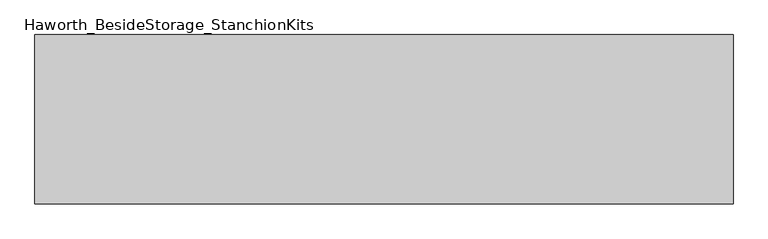
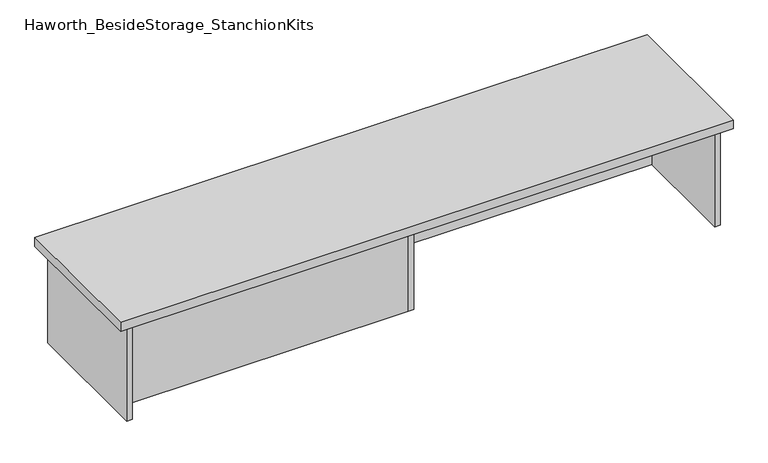
"""IFC4 building model written with IfcOpenShell, lengths in millimetres: furniture geometry, Haworth_BesideStorage_StanchionKits."""

from ifc_helpers import new_model, si_unit, frame, origin, place, context, project, spatial, polyline, outline, extrude, source, transform, mapped, element, save


def haworth_besidestorage_stanchionkits_dd0a1ca3(model_context):
    return source(origin(), model_context, "Body", "SweptSolid", [
        extrude(outline(polyline([(1000.125, 0.0), (1000.125, -406.4), (-676.275, -406.4), (-676.275, 0.0), (1000.125, 0.0)])), frame((0.0, 0.0, 711.2), z_axis=(0.0, 0.0, 1.0), x_axis=(1.0, 0.0, 0.0)), (0.0, 0.0, 1.0), 25.4),
        extrude(outline(polyline([(169.8625, -76.2), (958.85, -76.2), (958.85, -92.075), (169.8625, -92.075), (169.8625, -76.2)])), frame((0.0, 0.0, 431.8), z_axis=(0.0, 0.0, 1.0), x_axis=(1.0, 0.0, 0.0)), (0.0, 0.0, 1.0), 279.4),
        extrude(outline(polyline([(153.9875, -314.325), (153.9875, -330.2), (-635.0, -330.2), (-635.0, -314.325), (153.9875, -314.325)])), frame((0.0, 0.0, 431.8), z_axis=(0.0, 0.0, 1.0), x_axis=(1.0, 0.0, 0.0)), (0.0, 0.0, 1.0), 279.4),
        extrude(outline(polyline([(169.8625, -330.2), (153.9875, -330.2), (153.9875, -76.2), (169.8625, -76.2), (169.8625, -330.2)])), frame((0.0, 0.0, 431.8), z_axis=(0.0, 0.0, 1.0), x_axis=(1.0, 0.0, 0.0)), (0.0, 0.0, 1.0), 279.4),
        extrude(outline(polyline([(974.725, -390.525), (958.85, -390.525), (958.85, -15.875), (974.725, -15.875), (974.725, -390.525)])), frame((0.0, 0.0, 431.8), z_axis=(0.0, 0.0, 1.0), x_axis=(1.0, 0.0, 0.0)), (0.0, 0.0, 1.0), 279.4),
        extrude(outline(polyline([(-635.0, -390.525), (-650.875, -390.525), (-650.875, -15.875), (-635.0, -15.875), (-635.0, -390.525)])), frame((0.0, 0.0, 431.8), z_axis=(0.0, 0.0, 1.0), x_axis=(1.0, 0.0, 0.0)), (0.0, 0.0, 1.0), 279.4),
    ])


if __name__ == "__main__":
    model = new_model("IFC4")
    model_context = context("Model", 3, world=origin())
    ifc_project = project(units=[si_unit("LENGTHUNIT", "METRE", prefix="MILLI")], contexts=[model_context])
    site = spatial("IfcSite", under=ifc_project)
    building = spatial("IfcBuilding", under=site)
    placement = place(None, origin())
    haworth_besidestorage_stanchionkits_shape = haworth_besidestorage_stanchionkits_dd0a1ca3(model_context)
    element("IfcFurniture", 1, ObjectType="Haworth_BesideStorage_StanchionKits", at=placement, inside=building, context=model_context, shape_type="MappedRepresentation", body=[
        mapped(haworth_besidestorage_stanchionkits_shape, transform((0.0, 0.0, 0.0), x_axis=(1.0, 0.0, 0.0), y_axis=(0.0, 1.0, 0.0), z_axis=(0.0, 0.0, 1.0))),
    ])
    save(model, "model.ifc")
